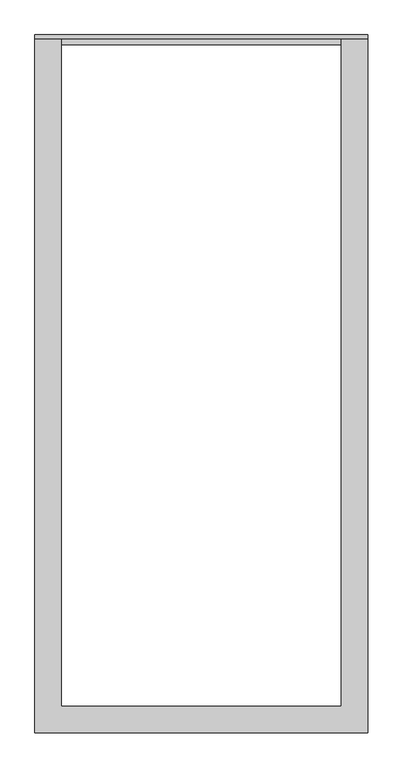
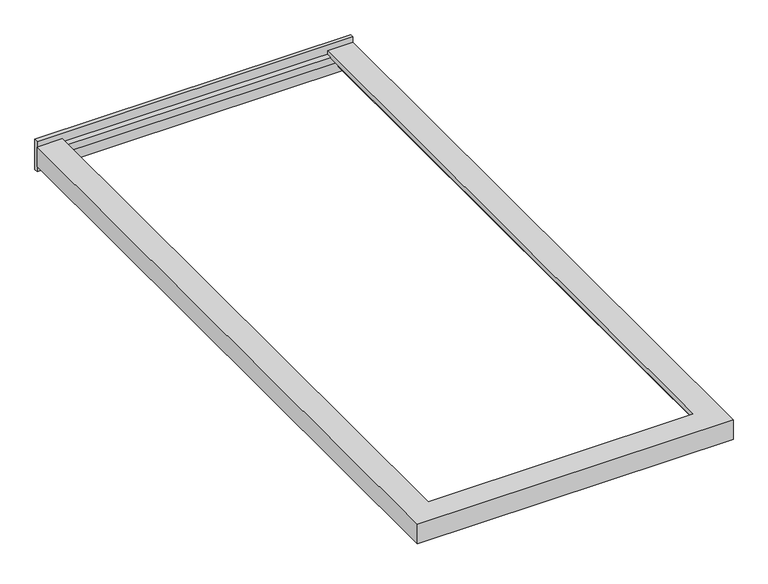
"""IFC4 building model written with IfcOpenShell, lengths in millimetres: proxy geometry."""

from ifc_helpers import new_model, si_unit, frame, origin, place, context, project, spatial, polyline, outline, extrude, faceted_brep, source, transform, mapped, element, save


def generic_models_be2e4241(model_context):
    return source(origin(), model_context, "Body", "SolidModel", [
        faceted_brep([(0.0, -2170.0, 0.0), (0.0, -2170.0, -68.0), (1040.0, -2170.0, -68.0), (1040.0, -2170.0, 0.0), (1040.0, 0.0, -68.0), (992.0, 0.0, -68.0), (992.0, 0.0, -37.0), (972.0, 0.0, -37.0), (972.0, 0.0, -16.0), (957.0, 0.0, -16.0), (957.0, 0.0, 0.0), (1040.0, 0.0, 0.0), (0.0, 0.0, -68.0), (48.0, 0.0, -68.0), (48.0, -2122.0, -68.0), (992.0, -2122.0, -68.0), (972.0, -2102.0, -37.0), (972.0, -2102.0, -16.0), (68.0, -2102.0, -16.0), (68.0, 0.0, -16.0), (83.0, 0.0, -16.0), (83.0, -2087.0, -16.0), (957.0, -2087.0, -16.0), (957.0, -2087.0, 0.0), (83.0, -2087.0, 0.0), (83.0, 0.0, 0.0), (0.0, 0.0, 0.0), (992.0, -2122.0, -37.0), (48.0, -2122.0, -37.0), (48.0, 0.0, -37.0), (68.0, 0.0, -37.0), (68.0, -2102.0, -37.0)], [[[0, 1, 2, 3]], [[4, 5, 6, 7, 8, 9, 10, 11]], [[4, 2, 1, 12, 13, 14, 15, 5]], [[7, 16, 17, 8]], [[8, 17, 18, 19, 20, 21, 22, 9]], [[9, 22, 23, 10]], [[10, 23, 24, 25, 26, 0, 3, 11]], [[2, 4, 11, 3]], [[5, 15, 27, 6]], [[6, 27, 28, 29, 30, 31, 16, 7]], [[1, 0, 26, 12]], [[22, 21, 24, 23]], [[16, 31, 18, 17]], [[15, 14, 28, 27]], [[12, 26, 25, 20, 19, 30, 29, 13]], [[18, 31, 30, 19]], [[25, 24, 21, 20]], [[28, 14, 13, 29]]]),
        extrude(outline(polyline([(12.0, -86.0), (0.0, -86.0), (0.0, -37.0), (-18.0, -37.0), (-18.0, -12.0), (0.0, -12.0), (0.0, 19.0), (12.0, 19.0), (12.0, -86.0)])), frame((0.0, 0.0, 0.0), z_axis=(1.0, 0.0, 0.0), x_axis=(0.0, 1.0, 0.0)), (0.0, 0.0, 1.0), 1040.0),
    ])


if __name__ == "__main__":
    model = new_model("IFC4")
    model_context = context("Model", 3, world=origin())
    ifc_project = project(units=[si_unit("LENGTHUNIT", "METRE", prefix="MILLI")], contexts=[model_context])
    site = spatial("IfcSite", under=ifc_project)
    building = spatial("IfcBuilding", under=site)
    placement = place(None, origin())
    generic_models_shape = generic_models_be2e4241(model_context)
    element("IfcBuildingElementProxy", 1, Name="Generic Models", at=placement, inside=building, context=model_context, shape_type="MappedRepresentation", body=[
        mapped(generic_models_shape, transform((0.0, 0.0, 0.0), x_axis=(1.0, 0.0, 0.0), y_axis=(0.0, 1.0, 0.0), z_axis=(0.0, 0.0, 1.0))),
    ])
    save(model, "model.ifc")
